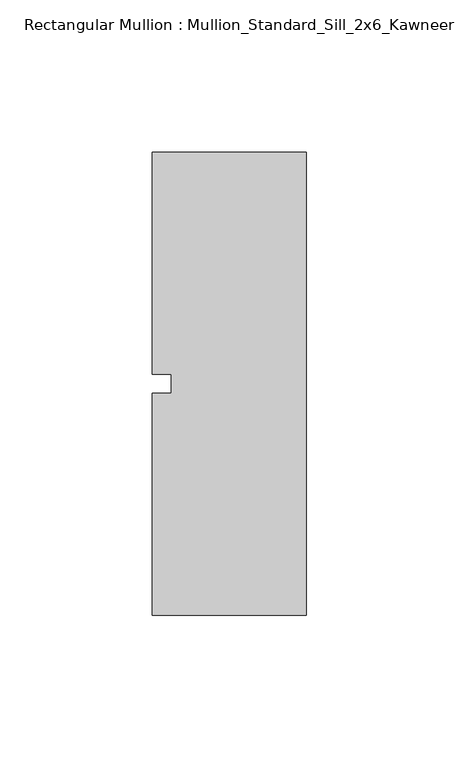
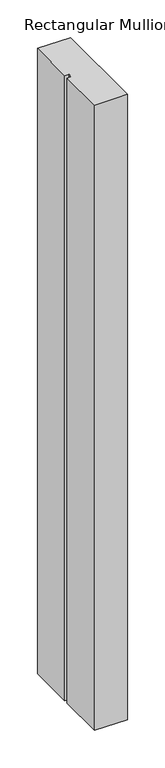
"""IFC4 building model written with IfcOpenShell, lengths in millimetres: member geometry, Rectangular Mullion : Mullion_Standard_Sill_2x6_Kawneer."""

from ifc_helpers import new_model, si_unit, frame, origin, place, context, project, spatial, polyline, outline, extrude, source, transform, mapped, element, save


def rectangular_mullion_mullion_standard_sill_2x6_kawneer_33926bb9(model_context):
    return source(origin(), model_context, "Body", "SweptSolid", [
        extrude(outline(polyline([(-50.8, -76.2), (-50.8, -3.175), (-44.45, -3.175), (-44.45, 3.175), (-50.8, 3.175), (-50.8, 76.2), (0.0, 76.2), (0.0, -76.2), (-50.8, -76.2)])), frame((0.0, 0.0, -1016.0), z_axis=(0.0, 0.0, 1.0), x_axis=(1.0, 0.0, 0.0)), (0.0, 0.0, 1.0), 1016.0),
    ])


if __name__ == "__main__":
    model = new_model("IFC4")
    model_context = context("Model", 3, world=origin())
    ifc_project = project(units=[si_unit("LENGTHUNIT", "METRE", prefix="MILLI")], contexts=[model_context])
    site = spatial("IfcSite", under=ifc_project)
    building = spatial("IfcBuilding", under=site)
    placement = place(None, origin())
    rectangular_mullion_mullion_standard_sill_2x6_kawneer_shape = rectangular_mullion_mullion_standard_sill_2x6_kawneer_33926bb9(model_context)
    element("IfcMember", 1, ObjectType="Rectangular Mullion : Mullion_Standard_Sill_2x6_Kawneer", at=placement, inside=building, context=model_context, shape_type="MappedRepresentation", body=[
        mapped(rectangular_mullion_mullion_standard_sill_2x6_kawneer_shape, transform((0.0, 0.0, 0.0), x_axis=(1.0, 0.0, 0.0), y_axis=(0.0, 1.0, 0.0), z_axis=(0.0, 0.0, 1.0))),
    ])
    save(model, "model.ifc")
